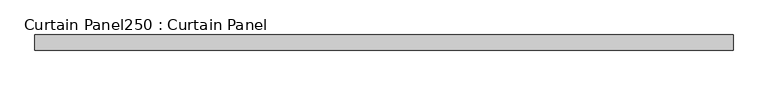
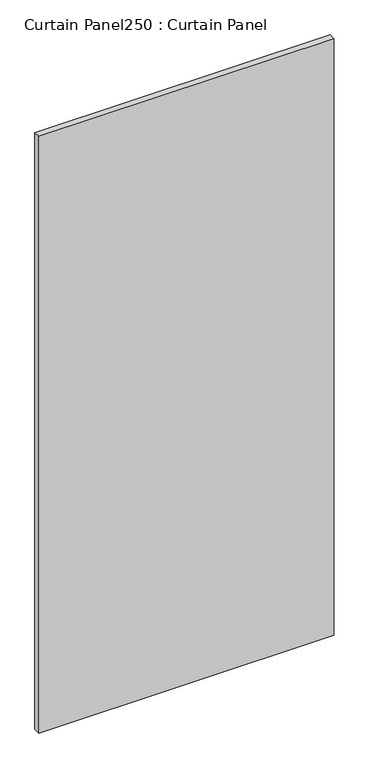
"""IFC4 building model written with IfcOpenShell, lengths in millimetres: plate geometry, Curtain Panel250 : Curtain Panel."""

from ifc_helpers import new_model, si_unit, origin, origin_with_axes, place, context, project, spatial, polyline, outline, extrude, source, transform, mapped, element, save


def curtain_panel250_curtain_panel_83b62d2f(model_context):
    return source(origin(), model_context, "Body", "SweptSolid", [
        extrude(outline(polyline([(-56316.5150513, 4504.0135949), (-57457.2836741, 4504.0135949), (-57457.2836741, 4529.4135949), (-56316.5150513, 4529.4135949), (-56316.5150513, 4504.0135949)])), origin_with_axes(), (0.0, 0.0, 1.0), 2438.4),
    ])


if __name__ == "__main__":
    model = new_model("IFC4")
    model_context = context("Model", 3, world=origin())
    ifc_project = project(units=[si_unit("LENGTHUNIT", "METRE", prefix="MILLI")], contexts=[model_context])
    site = spatial("IfcSite", under=ifc_project)
    building = spatial("IfcBuilding", under=site)
    placement = place(None, origin())
    curtain_panel250_curtain_panel_shape = curtain_panel250_curtain_panel_83b62d2f(model_context)
    element("IfcPlate", 1, ObjectType="Curtain Panel250 : Curtain Panel", at=placement, inside=building, context=model_context, shape_type="MappedRepresentation", body=[
        mapped(curtain_panel250_curtain_panel_shape, transform((0.0, 0.0, 0.0), x_axis=(1.0, 0.0, 0.0), y_axis=(0.0, 1.0, 0.0), z_axis=(0.0, 0.0, 1.0))),
    ])
    save(model, "model.ifc")
